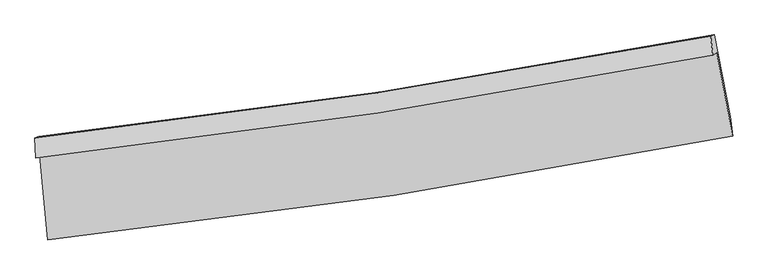
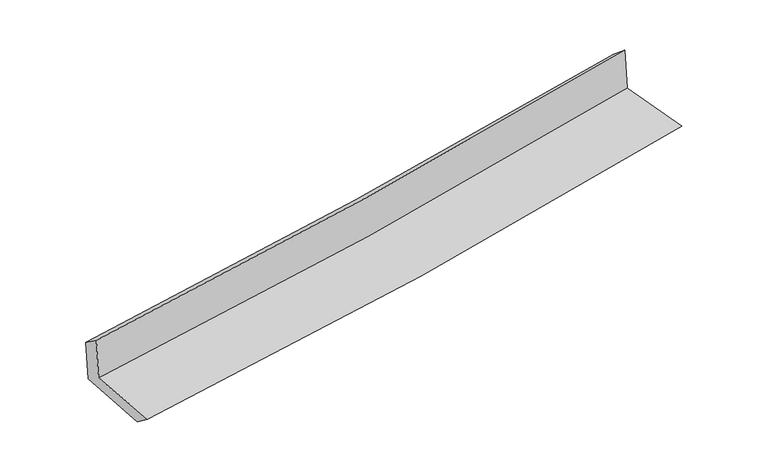
"""IFC4 building model written with IfcOpenShell, lengths in millimetres: proxy geometry."""

from ifc_helpers import new_model, si_unit, frame, origin, place, context, project, spatial, source, transform, mapped, element, save
from ifc_brep_helpers import plane_surface, spline_curve, spline_surface, advanced_brep


def generic_models_931792bd(model_context):
    return source(origin(), model_context, "Body", "AdvancedBrep", [
        advanced_brep(
        [(-2695.5693682, -1887.839863, 1665.5733394), (-2629.16298, -2551.519972, 1644.5969949), (2757.0688741, -1732.7721283, 2115.7109151), (2632.6463819, -1078.9626832, 2131.7790382), (-2726.145982, -1906.0284177, 2053.9426156), (2601.8509659, -1097.1610662, 2519.5260991), (-2731.9978736, -1748.6708496, 1940.1437358), (2584.3666225, -946.8845254, 2397.2849279), (-2702.1633397, -1738.5948721, 1570.1726489), (2614.5814585, -936.8509288, 2033.5223653), (-2634.3888692, -2396.0669922, 1525.510218), (2739.2706316, -1581.1344825, 1994.1250048)],
        [
            (0, 1),
            (1, 2, spline_curve(3, [(-2629.16298, -2551.519972, 1644.5969949), (-1719.200522271, -2454.34973304, 1716.682062945), (-812.611763325, -2336.989630404, 1792.248256895), (982.71642842, -2063.580402634, 1949.37128127), (1871.538287575, -1908.02455738, 2030.843060649), (2757.0688741, -1732.7721283, 2115.7109151)], [4, 2, 4], [0.0, 8.979723687777529, 17.849072499430907])),
            (2, 3),
            (3, 0, spline_curve(3, [(2632.6463819, -1078.9626832, 2131.7790382), (1756.106428393, -1248.427746879, 2047.802207105), (876.58275068, -1400.259601507, 1967.18266967), (-899.414441586, -1670.326933154, 1811.696690233), (-1795.962681031, -1788.120804901, 1736.914328084), (-2695.5693682, -1887.839863, 1665.5733394)], [4, 2, 4], [0.0, 8.869348811653378, 17.849072499430907])),
            (4, 0),
            (3, 5),
            (5, 4, spline_curve(3, [(2601.8509659, -1097.1610662, 2519.5260991), (1724.821254364, -1266.934150091, 2442.299705256), (845.069192199, -1418.920158758, 2365.12747008), (-930.861611976, -1688.988067271, 2209.931619115), (-1827.108532712, -1806.624509481, 2131.909359889), (-2726.145982, -1906.0284177, 2053.9426156)], [4, 2, 4], [0.0, 8.820688260796606, 17.75114584003923])),
            (6, 4),
            (5, 7),
            (7, 6, spline_curve(3, [(2584.3666225, -946.8845254, 2397.2849279), (1708.756953879, -1113.707877585, 2323.432000742), (830.676723382, -1263.627089698, 2248.651779528), (-941.382902816, -1531.312543738, 2096.294605444), (-1835.424170938, -1648.655439607, 2018.694429013), (-2731.9978736, -1748.6708496, 1940.1437358)], [4, 2, 4], [0.0, 8.809568272518206, 17.728767480456256])),
            (8, 6),
            (7, 9),
            (9, 8, spline_curve(3, [(2614.5814585, -936.8509288, 2033.5223653), (1739.329385078, -1103.533838309, 1953.543961879), (861.397756551, -1253.378906851, 1875.171065126), (-910.78340292, -1521.048573357, 1720.680951601), (-1805.100040505, -1638.451486335, 1644.603942592), (-2702.1633397, -1738.5948721, 1570.1726489)], [4, 2, 4], [0.0, 8.799408045616332, 17.708320587405446])),
            (10, 8),
            (9, 11),
            (11, 10, spline_curve(3, [(2739.2706316, -1581.1344825, 1994.1250048), (1855.937785295, -1758.611102853, 1912.733357719), (969.25637022, -1914.971896519, 1833.216123162), (-821.879601929, -2187.144889505, 1676.964251627), (-1726.418020485, -2302.428265861, 1600.276557137), (-2634.3888692, -2396.0669922, 1525.510218)], [4, 2, 4], [0.0, 8.84835823125563, 17.80683012073088])),
            (1, 10),
            (11, 2),
        ],
        [
            spline_surface(3, 3, [[(-2695.5693682, -1887.839863, 1665.5733394), (-1795.962680882, -1788.120804766, 1736.914327956), (-899.414441734, -1670.326933017, 1811.696690245), (876.582750825, -1400.259601643, 1967.182669658), (1756.106428335, -1248.427746791, 2047.802206979), (2632.6463819, -1078.9626832, 2131.7790382)], [(-2673.433905461, -2109.06656599, 1658.581224536), (-1770.375294659, -2010.197114156, 1730.170239571), (-870.480215609, -1892.547832114, 1805.213879114), (911.960643322, -1621.3665353, 1961.245540208), (1794.583714709, -1468.293350304, 2042.149158212), (2674.120545975, -1296.899164883, 2126.422997147)], [(-2651.298442739, -2330.29326901, 1651.589109764), (-1744.787908453, -2232.273423575, 1723.426151278), (-841.545989414, -2114.768731268, 1798.731067985), (947.338535888, -1842.473469014, 1955.30841076), (1833.061001057, -1688.15895387, 2036.496109503), (2715.594710025, -1514.835646617, 2121.066956153)], [(-2629.16298, -2551.519972, 1644.5969949), (-1719.200522229, -2454.349732965, 1716.682062893), (-812.611763289, -2336.989630365, 1792.248256854), (982.716428384, -2063.580402672, 1949.37128131), (1871.53828743, -1908.024557384, 2030.843060736), (2757.0688741, -1732.7721283, 2115.7109151)]], [4, 4], [4, 2, 4], [0.0, 2.2054265952052923], [0.0, 8.979723687777529, 17.849072499430907]),
            spline_surface(3, 3, [[(-2726.145982, -1906.0284177, 2053.9426156), (-1827.108532611, -1806.624509347, 2131.909359824), (-930.861612021, -1688.988067368, 2209.931619176), (845.069192243, -1418.920158662, 2365.12747002), (1724.821254337, -1266.934150148, 2442.299705178), (2601.8509659, -1097.1610662, 2519.5260991)], [(-2715.953777425, -1899.965566125, 1924.486190213), (-1816.72658206, -1800.456607812, 2000.244349214), (-920.379221913, -1682.767689261, 2077.186642844), (855.573711783, -1412.699972999, 2232.479203211), (1735.249645691, -1260.765349025, 2310.800539125), (2612.116104588, -1091.094938529, 2390.277078813)], [(-2705.761572775, -1893.902714575, 1795.029764787), (-1806.344631433, -1794.288706302, 1868.579338566), (-909.896831842, -1676.547311123, 1944.441666577), (866.078231286, -1406.479787305, 2099.830936468), (1745.678036982, -1254.596547914, 2179.301373033), (2622.381243212, -1085.028810871, 2261.028058487)], [(-2695.5693682, -1887.839863, 1665.5733394), (-1795.962680882, -1788.120804766, 1736.914327956), (-899.414441734, -1670.326933017, 1811.696690245), (876.582750825, -1400.259601643, 1967.182669658), (1756.106428335, -1248.427746791, 2047.802206979), (2632.6463819, -1078.9626832, 2131.7790382)]], [4, 4], [4, 2, 4], [0.0, 1.3115806371476493], [0.0, 8.930457579242622, 17.75114584003923]),
            spline_surface(3, 3, [[(-2731.9978736, -1748.6708496, 1940.1437358), (-1835.424170845, -1648.655439725, 2018.694429044), (-941.382902768, -1531.312543762, 2096.29460534), (830.676723335, -1263.627089674, 2248.65177963), (1708.756954002, -1113.707877545, 2323.432000697), (2584.3666225, -946.8845254, 2397.2849279)], [(-2730.04724307, -1801.123372325, 1978.076695724), (-1832.652291437, -1701.31179629, 2056.432739295), (-937.875805863, -1583.871051647, 2134.173609948), (835.474212961, -1315.39144602, 2287.477009756), (1714.111720774, -1164.783301755, 2363.054568842), (2590.19473696, -996.976705676, 2438.031984951)], [(-2728.09661253, -1853.575894975, 2016.009655676), (-1829.880412018, -1753.968152781, 2094.171049573), (-934.368708926, -1636.429559482, 2172.052614568), (840.271702617, -1367.155802316, 2326.302239894), (1719.466487566, -1215.858725938, 2402.677137033), (2596.02285144, -1047.068885924, 2478.779042049)], [(-2726.145982, -1906.0284177, 2053.9426156), (-1827.108532611, -1806.624509347, 2131.909359824), (-930.861612021, -1688.988067368, 2209.931619176), (845.069192243, -1418.920158662, 2365.12747002), (1724.821254337, -1266.934150148, 2442.299705178), (2601.8509659, -1097.1610662, 2519.5260991)]], [4, 4], [4, 2, 4], [0.0, 0.6385465455237238], [0.0, 8.91919920793805, 17.728767480456256]),
            spline_surface(3, 3, [[(-2702.1633397, -1738.5948721, 1570.1726489), (-1805.100040464, -1638.451486227, 1644.603942679), (-910.783402931, -1521.048573477, 1720.680951535), (861.397756561, -1253.378906733, 1875.171065191), (1739.329385083, -1103.533838371, 1953.543961813), (2614.5814585, -936.8509288, 2033.5223653)], [(-2712.108184321, -1741.953531263, 1693.496344539), (-1815.208083912, -1641.852804056, 1769.300771473), (-920.983236203, -1524.469896891, 1845.885502821), (851.15741216, -1256.7949677, 1999.664636689), (1729.138574707, -1106.925184765, 2076.839974786), (2604.509846485, -940.195461003, 2154.776552845)], [(-2722.053028979, -1745.312190437, 1816.820040161), (-1825.316127397, -1645.254121896, 1893.997600251), (-931.183069496, -1527.891220347, 1971.090054054), (840.917067736, -1260.211028708, 2124.158208132), (1718.947764378, -1110.316531151, 2200.135987724), (2594.438234515, -943.539993197, 2276.030740355)], [(-2731.9978736, -1748.6708496, 1940.1437358), (-1835.424170845, -1648.655439725, 2018.694429044), (-941.382902768, -1531.312543762, 2096.29460534), (830.676723335, -1263.627089674, 2248.65177963), (1708.756954002, -1113.707877545, 2323.432000697), (2584.3666225, -946.8845254, 2397.2849279)]], [4, 4], [4, 2, 4], [0.0, 1.2334406776299414], [0.0, 8.908912541789114, 17.708320587405446]),
            spline_surface(3, 3, [[(-2634.3888692, -2396.0669922, 1525.510218), (-1726.418020609, -2302.428265979, 1600.276557055), (-821.879602001, -2187.144889566, 1676.964251605), (969.256370291, -1914.971896458, 1833.216123184), (1855.937785283, -1758.61110297, 1912.733357588), (2739.2706316, -1581.1344825, 1994.1250048)], [(-2656.980359381, -2176.909618814, 1540.397694959), (-1752.645360575, -2081.102672709, 1615.052352256), (-851.514202304, -1965.112784186, 1691.536484905), (933.303499055, -1694.440899866, 1847.201103843), (1817.068318542, -1540.252014757, 1926.336892327), (2697.707573892, -1366.37329792, 2007.257458298)], [(-2679.571849519, -1957.752245486, 1555.285171941), (-1778.872700498, -1859.777079497, 1629.828147479), (-881.148802628, -1743.080678857, 1706.108718235), (897.350627798, -1473.909903325, 1861.186084532), (1778.198851825, -1321.892926584, 1939.940427073), (2656.144516208, -1151.61211338, 2020.389911802)], [(-2702.1633397, -1738.5948721, 1570.1726489), (-1805.100040464, -1638.451486227, 1644.603942679), (-910.783402931, -1521.048573477, 1720.680951535), (861.397756561, -1253.378906733, 1875.171065191), (1739.329385083, -1103.533838371, 1953.543961813), (2614.5814585, -936.8509288, 2033.5223653)]], [4, 4], [4, 2, 4], [0.0, 2.2062707270678286], [0.0, 8.958471889475248, 17.80683012073088]),
            spline_surface(3, 3, [[(-2629.16298, -2551.519972, 1644.5969949), (-1719.200522229, -2454.349732965, 1716.682062893), (-812.611763289, -2336.989630365, 1792.248256854), (982.716428384, -2063.580402672, 1949.37128131), (1871.53828743, -1908.024557384, 2030.843060736), (2757.0688741, -1732.7721283, 2115.7109151)], [(-2630.904943042, -2499.702312083, 1604.901402629), (-1721.606354998, -2403.709243985, 1677.880227643), (-815.701042852, -2287.041383455, 1753.820255123), (978.229742361, -2014.044233956, 1910.652895286), (1866.338120049, -1858.220072602, 1991.473159699), (2751.136126601, -1682.226246389, 2075.182278346)], [(-2632.646906158, -2447.884652117, 1565.205810271), (-1724.01218784, -2353.068754959, 1639.078392305), (-818.790322437, -2237.093136477, 1715.392253336), (973.743056315, -1964.508065173, 1871.934509207), (1861.137952664, -1808.415587752, 1952.103258625), (2745.203379099, -1631.680364411, 2034.653641554)], [(-2634.3888692, -2396.0669922, 1525.510218), (-1726.418020609, -2302.428265979, 1600.276557055), (-821.879602001, -2187.144889566, 1676.964251605), (969.256370291, -1914.971896458, 1833.216123184), (1855.937785283, -1758.61110297, 1912.733357588), (2739.2706316, -1581.1344825, 1994.1250048)]], [4, 4], [4, 2, 4], [0.0, 0.6206711144646693], [0.0, 9.01800036994627, 17.925155383361673]),
            plane_surface(frame((2654.9641558, -1228.9609691, 2198.6580584), z_axis=(0.979083504478577, 0.18419990514497656, 0.08640535980209882), x_axis=(-0.08274565716042726, -0.027477777596647924, 0.9961918128349772))),
            plane_surface(frame((-2686.5714021, -2038.1201611, 1733.3232588), z_axis=(-0.9918851139641632, -0.09663464687183598, -0.08261758723331586), x_axis=(-0.09951148843676749, 0.9945397914557118, 0.03143353114634769))),
        ],
        [
            (0, [[1, 2, 3, 4]]),
            (1, [[5, -4, 6, 7]]),
            (2, [[8, -7, 9, 10]]),
            (3, [[11, -10, 12, 13]]),
            (4, [[14, -13, 15, 16]]),
            (5, [[17, -16, 18, -2]]),
            (6, [[-12, -9, -6, -3, -18, -15]]),
            (7, [[-1, -5, -8, -11, -14, -17]]),
        ],
    ),
    ])


if __name__ == "__main__":
    model = new_model("IFC4")
    model_context = context("Model", 3, world=origin())
    ifc_project = project(units=[si_unit("LENGTHUNIT", "METRE", prefix="MILLI")], contexts=[model_context])
    site = spatial("IfcSite", under=ifc_project)
    building = spatial("IfcBuilding", under=site)
    placement = place(None, origin())
    generic_models_shape = generic_models_931792bd(model_context)
    element("IfcBuildingElementProxy", 1, Name="Generic Models", at=placement, inside=building, context=model_context, shape_type="MappedRepresentation", body=[
        mapped(generic_models_shape, transform((0.0, 0.0, 0.0), x_axis=(1.0, 0.0, 0.0), y_axis=(0.0, 1.0, 0.0), z_axis=(0.0, 0.0, 1.0))),
    ])
    save(model, "model.ifc")
